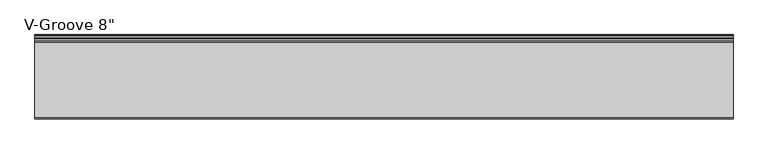
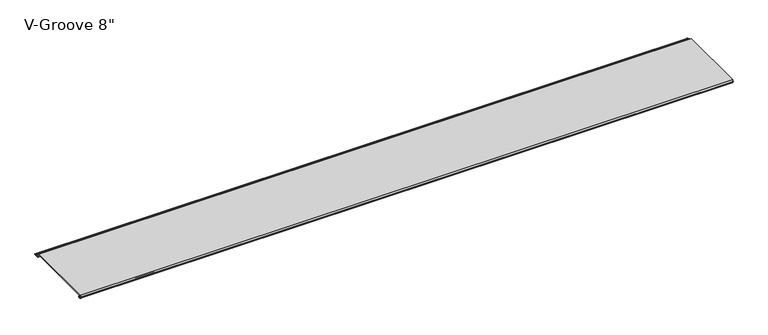
"""IFC4 building model written with IfcOpenShell, lengths in millimetres: proxy geometry."""

from ifc_helpers import new_model, si_unit, frame, origin, place, context, project, spatial, polyline, circle_curve, source, transform, mapped, element, save
from ifc_brep_helpers import plane_surface, cylinder_surface, revolved_surface, advanced_brep


def proxy_1d59dfec(model_context):
    return source(origin(), model_context, "Body", "AdvancedBrep", [
        advanced_brep(
        [(0.0, 4.8748016, 8.2677279), (0.0, 3.9297655, 8.3107178), (0.0, 1.0903749, 8.3537076), (0.0, 0.065443, 8.3537076), (0.0, 0.065443, 9.2261945), (0.0, 2.1184419, 13.2537076), (0.0, 200.5967857, 13.2537076), (0.0, 203.2, 8.1468156), (0.0, 209.0910449, 8.1468156), (0.0, 209.0738459, 6.6269129), (0.0, 204.9507651, 6.6268074), (0.0, 204.4162088, 5.7543198), (0.0, 205.5634478, 3.5037076), (0.0, 210.3480327, 3.5037076), (0.0, 211.105331, 2.8682589), (0.0, 216.8979176, 2.8682589), (0.0, 217.6552159, 3.5037076), (0.0, 218.6052159, 3.5037076), (0.0, 218.6052159, 1.8537076), (0.0, 204.6456734, 1.8537076), (0.0, 199.6348769, 11.6837076), (0.0, 4.9698231, 11.6837076), (0.0, 4.9454257, 9.4970429), (0.0, 6.3252986, 9.4327708), (0.0, 6.2190404, 4.8677279), (0.0, 2.2867276, 4.8677279), (0.0, 2.2368711, 6.1940104), (0.0, 4.5055344, 6.3177279), (0.0, 6.0740222, 6.3177279), (0.0, 6.0740222, 8.2677279), (1815.546, 4.8748016, 8.2677279), (1815.546, 6.0740222, 8.2677279), (1815.546, 6.0740222, 6.3177279), (1815.546, 4.5055344, 6.3177279), (1815.546, 2.2368711, 6.1940104), (1815.546, 2.2867276, 4.8677279), (1815.546, 6.2190404, 4.8677279), (1815.546, 6.3252986, 9.4327708), (1815.546, 4.9454257, 9.4970429), (1815.546, 4.9698231, 11.6837076), (1815.546, 199.6348769, 11.6837076), (1815.546, 204.6456734, 1.8537076), (1815.546, 218.6052159, 1.8537076), (1815.546, 218.6052159, 3.5037076), (1815.546, 217.6552159, 3.5037076), (1815.546, 216.8979176, 2.8682589), (1815.546, 211.105331, 2.8682589), (1815.546, 210.3480327, 3.5037076), (1815.546, 205.5634478, 3.5037076), (1815.546, 204.4162088, 5.7543198), (1815.546, 204.9507651, 6.6268074), (1815.546, 209.0738459, 6.6268074), (1815.546, 209.0910449, 8.1468156), (1815.546, 203.2, 8.1468156), (1815.546, 200.5967857, 13.2537076), (1815.546, 2.1184419, 13.2537076), (1815.546, 0.065443, 9.2261945), (1815.546, 0.065443, 8.3537076), (1815.546, 1.0903749, 8.3537076), (1815.546, 3.9297655, 8.3107178)],
        [
            (0, 1),
            (1, 2, circle_curve(frame((0.0, 2.4847467, 6.6596487), z_axis=(1.0, 0.0, 0.0), x_axis=(0.0, 1.0, 0.0)), 2.1941076)),
            (2, 3),
            (3, 4),
            (4, 5),
            (5, 6),
            (6, 7),
            (7, 8),
            (8, 9, circle_curve(frame((0.0, 209.0824454, 7.3868643), z_axis=(-1.0, 0.0, 0.0), x_axis=(0.0, 1.0, 0.0)), 0.76)),
            (9, 10),
            (10, 11, circle_curve(frame((0.0, 204.9507651, 6.0268074), z_axis=(1.0, 0.0, 0.0), x_axis=(0.0, 1.0, 0.0)), 0.6)),
            (11, 12),
            (12, 13),
            (13, 14),
            (14, 15),
            (15, 16),
            (16, 17),
            (17, 18, circle_curve(frame((0.0, 218.6052159, 2.6787076), z_axis=(-1.0, 0.0, 0.0), x_axis=(0.0, 1.0, 0.0)), 0.825)),
            (18, 19),
            (19, 20),
            (20, 21),
            (21, 22, circle_curve(frame((0.0, 4.9836004, 10.5900854), z_axis=(1.0, 0.0, 0.0), x_axis=(0.0, 1.0, 0.0)), 1.093709)),
            (22, 23),
            (23, 24, circle_curve(frame((0.0, 6.2190404, 7.151486), z_axis=(-1.0, 0.0, 0.0), x_axis=(0.0, 1.0, 0.0)), 2.2837581)),
            (24, 25),
            (25, 26, circle_curve(frame((0.0, 2.2867276, 5.5318063), z_axis=(-1.0, 0.0, 0.0), x_axis=(0.0, 1.0, 0.0)), 0.6640784)),
            (26, 27),
            (27, 28),
            (28, 29, circle_curve(frame((0.0, 6.0740222, 7.2927279), z_axis=(1.0, 0.0, 0.0), x_axis=(0.0, 1.0, 0.0)), 0.975)),
            (29, 0),
            (30, 31),
            (31, 32, circle_curve(frame((1815.546, 6.0740222, 7.2927279), z_axis=(-1.0, 0.0, 0.0), x_axis=(0.0, 1.0, 0.0)), 0.975)),
            (32, 33),
            (33, 34),
            (34, 35, circle_curve(frame((1815.546, 2.2867276, 5.5318063), z_axis=(1.0, 0.0, 0.0), x_axis=(0.0, 1.0, 0.0)), 0.6640784)),
            (35, 36),
            (36, 37, circle_curve(frame((1815.546, 6.2190404, 7.151486), z_axis=(1.0, 0.0, 0.0), x_axis=(0.0, 1.0, 0.0)), 2.2837581)),
            (37, 38),
            (38, 39, circle_curve(frame((1815.546, 4.9836004, 10.5900854), z_axis=(-1.0, 0.0, 0.0), x_axis=(0.0, 1.0, 0.0)), 1.093709)),
            (39, 40),
            (40, 41),
            (41, 42),
            (42, 43, circle_curve(frame((1815.546, 218.6052159, 2.6787076), z_axis=(1.0, 0.0, 0.0), x_axis=(0.0, 1.0, 0.0)), 0.825)),
            (43, 44),
            (44, 45),
            (45, 46),
            (46, 47),
            (47, 48),
            (48, 49),
            (49, 50, circle_curve(frame((1815.546, 204.9507651, 6.0268074), z_axis=(-1.0, 0.0, 0.0), x_axis=(0.0, 1.0, 0.0)), 0.6)),
            (50, 51),
            (51, 52, circle_curve(frame((1815.546, 209.0824454, 7.3868643), z_axis=(1.0, 0.0, 0.0), x_axis=(0.0, 1.0, 0.0)), 0.76)),
            (52, 53),
            (53, 54),
            (54, 55),
            (55, 56),
            (56, 57),
            (57, 58),
            (58, 59, circle_curve(frame((1815.546, 2.4847467, 6.6596487), z_axis=(-1.0, 0.0, 0.0), x_axis=(0.0, 1.0, 0.0)), 2.1941076)),
            (59, 30),
            (0, 30),
            (59, 1),
            (58, 2),
            (57, 3),
            (56, 4),
            (55, 5),
            (54, 6),
            (53, 7),
            (52, 8),
            (51, 9),
            (50, 10),
            (49, 11),
            (48, 12),
            (47, 13),
            (46, 14),
            (45, 15),
            (44, 16),
            (43, 17),
            (42, 18),
            (41, 19),
            (40, 20),
            (39, 21),
            (38, 22),
            (37, 23),
            (36, 24),
            (35, 25),
            (34, 26),
            (33, 27),
            (32, 28),
            (31, 29),
        ],
        [
            plane_surface(frame((0.0, 0.0, 0.0), z_axis=(-1.0, 0.0, 0.0), x_axis=(0.0, 0.0, 1.0))),
            plane_surface(frame((1815.546, 0.0, 0.0), z_axis=(1.0, 0.0, 0.0), x_axis=(0.0, 0.0, 1.0))),
            plane_surface(frame((0.0, 4.8748016, 8.2677279), z_axis=(0.0, -0.045443199353729875, -0.9989669241934376), x_axis=(1.0, 0.0, 0.0))),
            revolved_surface(polyline([(1815.546, 4.6788543, 6.6596487), (0.0, 4.6788543, 6.6596487)]), (0.0, 2.4847467, 6.6596487), (1.0, 0.0, 0.0)),
            plane_surface(frame((0.0, 1.0903749, 8.3537076), z_axis=(0.0, 0.0, -1.0), x_axis=(1.0, 0.0, 0.0))),
            plane_surface(frame((0.0, 0.065443, 8.3537076), z_axis=(0.0, -1.0, 0.0), x_axis=(1.0, 0.0, 0.0))),
            plane_surface(frame((0.0, 0.065443, 9.2261945), z_axis=(0.0, -0.8909279044420536, 0.4541447666620095), x_axis=(1.0, 0.0, 0.0))),
            plane_surface(frame((0.0, 2.1184419, 13.2537076), z_axis=(0.0, 0.0, 1.0), x_axis=(1.0, 0.0, 0.0))),
            plane_surface(frame((0.0, 200.5967857, 13.2537076), z_axis=(0.0, 0.8909272743280147, 0.45414600279915984), x_axis=(1.0, 0.0, 0.0))),
            plane_surface(frame((0.0, 203.2, 8.1468156), z_axis=(0.0, 0.0, 1.0), x_axis=(1.0, 0.0, 0.0))),
            cylinder_surface(frame((0.0, 209.0824454, 7.3868643), z_axis=(-1.0, 0.0, 0.0), x_axis=(0.0, 1.0, 0.0)), 0.76),
            plane_surface(frame((0.0, 209.0738459, 6.6268074), z_axis=(0.0, 0.0, -1.0), x_axis=(1.0, 0.0, 0.0))),
            revolved_surface(polyline([(1815.546, 205.5507651, 6.0268074), (0.0, 205.5507651, 6.0268074)]), (0.0, 204.9507651, 6.0268074), (1.0, 0.0, 0.0)),
            plane_surface(frame((0.0, 204.4162088, 5.7543198), z_axis=(0.0, 0.8909272743742442, 0.4541460027084684), x_axis=(1.0, 0.0, 0.0))),
            plane_surface(frame((0.0, 205.5634478, 3.5037076), z_axis=(0.0, 0.0, 1.0), x_axis=(1.0, 0.0, 0.0))),
            plane_surface(frame((0.0, 210.3480327, 3.5037076), z_axis=(0.0, 0.6427876096865576, 0.7660444431189628), x_axis=(1.0, 0.0, 0.0))),
            plane_surface(frame((0.0, 211.105331, 2.8682589), z_axis=(0.0, 0.0, 1.0), x_axis=(1.0, 0.0, 0.0))),
            plane_surface(frame((0.0, 216.8979176, 2.8682589), z_axis=(0.0, -0.6427876096865565, 0.7660444431189637), x_axis=(1.0, 0.0, 0.0))),
            plane_surface(frame((0.0, 217.6552159, 3.5037076), z_axis=(0.0, 0.0, 1.0), x_axis=(1.0, 0.0, 0.0))),
            cylinder_surface(frame((0.0, 218.6052159, 2.6787076), z_axis=(-1.0, 0.0, 0.0), x_axis=(0.0, 1.0, 0.0)), 0.825),
            plane_surface(frame((0.0, 218.6052159, 1.8537076), z_axis=(0.0, 0.0, -1.0), x_axis=(1.0, 0.0, 0.0))),
            plane_surface(frame((0.0, 204.6456734, 1.8537076), z_axis=(0.0, -0.8909272743276319, -0.4541460027999108), x_axis=(1.0, 0.0, 0.0))),
            plane_surface(frame((0.0, 199.6348769, 11.6837076), z_axis=(0.0, 0.0, -1.0), x_axis=(1.0, 0.0, 0.0))),
            revolved_surface(polyline([(1815.546, 6.077309400000001, 10.5900854), (0.0, 6.077309400000001, 10.5900854)]), (0.0, 4.9836004, 10.5900854), (1.0, 0.0, 0.0)),
            plane_surface(frame((0.0, 4.9454257, 9.4970429), z_axis=(0.0, 0.046527768163272164, 0.9989169969470661), x_axis=(1.0, 0.0, 0.0))),
            cylinder_surface(frame((0.0, 6.2190404, 7.151486), z_axis=(-1.0, 0.0, 0.0), x_axis=(0.0, 1.0, 0.0)), 2.2837581),
            plane_surface(frame((0.0, 6.2190404, 4.8677279), z_axis=(0.0, 0.0, -1.0), x_axis=(1.0, 0.0, 0.0))),
            cylinder_surface(frame((0.0, 2.2867276, 5.5318063), z_axis=(-1.0, 0.0, 0.0), x_axis=(0.0, 1.0, 0.0)), 0.6640784),
            plane_surface(frame((0.0, 2.2368711, 6.1940104), z_axis=(0.0, -0.054452281472051646, 0.9985163739481133), x_axis=(1.0, 0.0, 0.0))),
            plane_surface(frame((0.0, 4.5055344, 6.3177279), z_axis=(0.0, 0.0, 1.0), x_axis=(1.0, 0.0, 0.0))),
            revolved_surface(polyline([(1815.546, 7.0490222, 7.2927279), (0.0, 7.0490222, 7.2927279)]), (0.0, 6.0740222, 7.2927279), (1.0, 0.0, 0.0)),
            plane_surface(frame((0.0, 6.0740222, 8.2677279), z_axis=(0.0, 0.0, -1.0), x_axis=(1.0, 0.0, 0.0))),
        ],
        [
            (0, [[1, 2, 3, 4, 5, 6, 7, 8, 9, 10, 11, 12, 13, 14, 15, 16, 17, 18, 19, 20, 21, 22, 23, 24, 25, 26, 27, 28, 29, 30]]),
            (1, [[31, 32, 33, 34, 35, 36, 37, 38, 39, 40, 41, 42, 43, 44, 45, 46, 47, 48, 49, 50, 51, 52, 53, 54, 55, 56, 57, 58, 59, 60]]),
            (2, [[-1, 61, -60, 62]]),
            (3, [[-2, -62, -59, 63]]),
            (4, [[-3, -63, -58, 64]]),
            (5, [[-4, -64, -57, 65]]),
            (6, [[-5, -65, -56, 66]]),
            (7, [[-6, -66, -55, 67]]),
            (8, [[-7, -67, -54, 68]]),
            (9, [[-8, -68, -53, 69]]),
            (10, [[-9, -69, -52, 70]]),
            (11, [[-10, -70, -51, 71]]),
            (12, [[-11, -71, -50, 72]]),
            (13, [[-12, -72, -49, 73]]),
            (14, [[-13, -73, -48, 74]]),
            (15, [[-14, -74, -47, 75]]),
            (16, [[-15, -75, -46, 76]]),
            (17, [[-16, -76, -45, 77]]),
            (18, [[-17, -77, -44, 78]]),
            (19, [[-18, -78, -43, 79]]),
            (20, [[-19, -79, -42, 80]]),
            (21, [[-20, -80, -41, 81]]),
            (22, [[-21, -81, -40, 82]]),
            (23, [[-22, -82, -39, 83]]),
            (24, [[-23, -83, -38, 84]]),
            (25, [[-24, -84, -37, 85]]),
            (26, [[-25, -85, -36, 86]]),
            (27, [[-26, -86, -35, 87]]),
            (28, [[-27, -87, -34, 88]]),
            (29, [[-28, -88, -33, 89]]),
            (30, [[-29, -89, -32, 90]]),
            (31, [[-30, -90, -31, -61]]),
        ],
    ),
    ])


if __name__ == "__main__":
    model = new_model("IFC4")
    model_context = context("Model", 3, world=origin())
    ifc_project = project(units=[si_unit("LENGTHUNIT", "METRE", prefix="MILLI")], contexts=[model_context])
    site = spatial("IfcSite", under=ifc_project)
    building = spatial("IfcBuilding", under=site)
    placement = place(None, origin())
    proxy_shape = proxy_1d59dfec(model_context)
    element("IfcBuildingElementProxy", 1, Name="V-Groove 8\"", ObjectType="V-Groove 8\"", at=placement, inside=building, context=model_context, shape_type="MappedRepresentation", body=[
        mapped(proxy_shape, transform((0.0, 0.0, 0.0), x_axis=(1.0, 0.0, 0.0), y_axis=(0.0, 1.0, 0.0), z_axis=(0.0, 0.0, 1.0))),
    ])
    save(model, "model.ifc")
